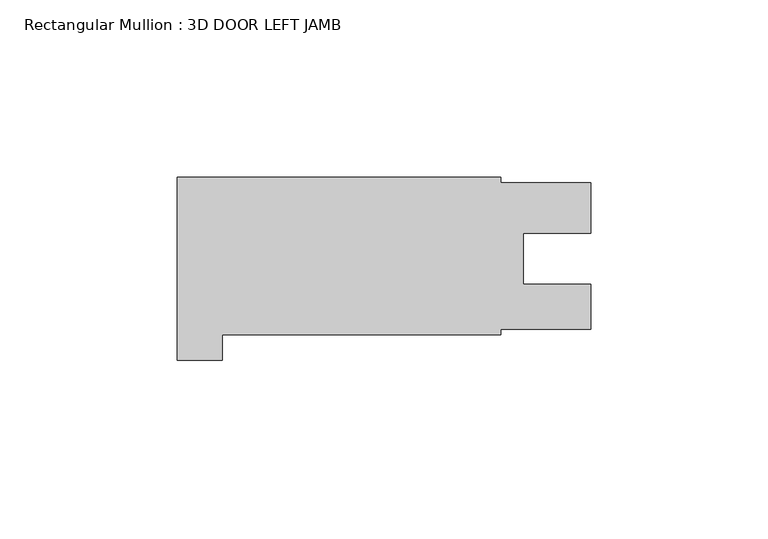
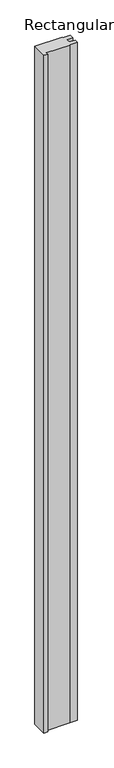
"""IFC4 building model written with IfcOpenShell, lengths in millimetres: member geometry, Rectangular Mullion : 3D DOOR LEFT JAMB."""

from ifc_helpers import new_model, si_unit, frame, origin, place, context, project, spatial, polyline, outline, extrude, source, transform, mapped, element, save


def rectangular_mullion_3d_door_left_jamb_09ce1a77(model_context):
    return source(origin(), model_context, "Body", "SweptSolid", [
        extrude(outline(polyline([(0.0, 8.801227), (0.0, 60.4139), (91.28125, 60.4139), (91.28125, 58.8263837), (116.68125, 58.8263837), (116.68125, 44.5643), (97.6439509, 44.5643), (97.6439509, 30.2768), (116.68125, 30.2768), (116.68125, 17.5641), (91.28125, 17.5641), (91.28125, 15.9639), (12.7, 15.9639), (12.7, 8.801227), (0.0, 8.801227)])), frame((0.0, 0.0, -2393.95), z_axis=(0.0, 0.0, 1.0), x_axis=(1.0, 0.0, 0.0)), (0.0, 0.0, 1.0), 2393.95),
    ])


if __name__ == "__main__":
    model = new_model("IFC4")
    model_context = context("Model", 3, world=origin())
    ifc_project = project(units=[si_unit("LENGTHUNIT", "METRE", prefix="MILLI")], contexts=[model_context])
    site = spatial("IfcSite", under=ifc_project)
    building = spatial("IfcBuilding", under=site)
    placement = place(None, origin())
    rectangular_mullion_3d_door_left_jamb_shape = rectangular_mullion_3d_door_left_jamb_09ce1a77(model_context)
    element("IfcMember", 1, ObjectType="Rectangular Mullion : 3D DOOR LEFT JAMB", at=placement, inside=building, context=model_context, shape_type="MappedRepresentation", body=[
        mapped(rectangular_mullion_3d_door_left_jamb_shape, transform((0.0, 0.0, 0.0), x_axis=(1.0, 0.0, 0.0), y_axis=(0.0, 1.0, 0.0), z_axis=(0.0, 0.0, 1.0))),
    ])
    save(model, "model.ifc")
